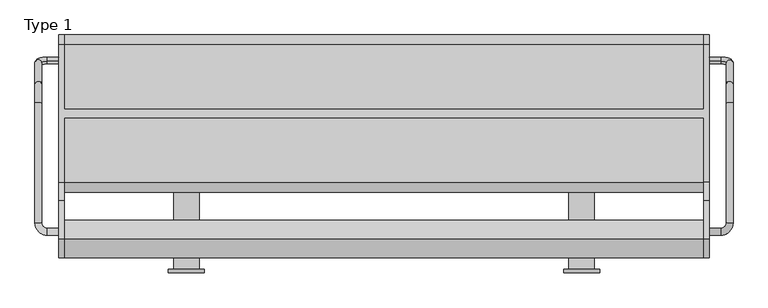
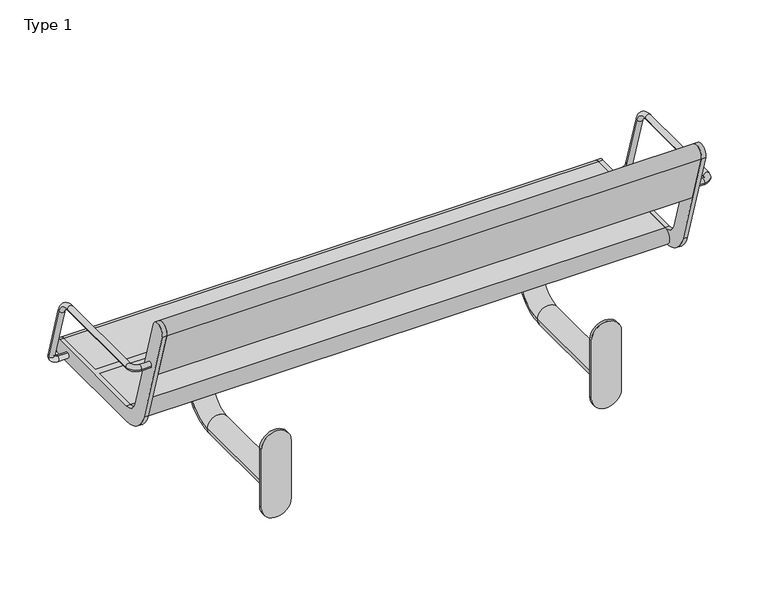
"""IFC4 building model written with IfcOpenShell, lengths in millimetres: furniture geometry, Type 1."""

import ifcopenshell
import ifcopenshell.guid

model = None  # the IFC model being written
_history = None  # IfcOwnerHistory: only IFC2X3 demands one
_inside = {}  # id of a spatial element -> (the spatial element, [elements in it])
_under = {}  # id of a project, library or spatial element -> (it, [spatial elements below it])
_declared = {}  # id of a project -> (the project, [libraries it declares])
_typed = {}  # id of a type object -> (the type object, [elements of that type])
_made_of = {}  # id of a material, layer set ... -> (it, [elements and type objects made of it])


def new_model(schema):
    """Start an empty IFC model of exactly this schema.

    Asked for "IFC4X3", IfcOpenShell would pick the latest addendum, in which some entities
    have other attributes; the version numbers below select the first issue.
    IFC2X3 requires an IfcOwnerHistory on every rooted entity: one is made here for all.
    """
    global model, _history
    if schema == "IFC4X3":
        model = ifcopenshell.file(schema_version=(4, 3, 0, 0))
    else:
        model = ifcopenshell.file(schema=schema)
    _inside.clear()
    _under.clear()
    _declared.clear()
    _typed.clear()
    _made_of.clear()
    _history = None
    if model.schema == "IFC2X3":
        org = make("IfcOrganization", Name="unknown")
        user = make(
            "IfcPersonAndOrganization",
            ThePerson=make("IfcPerson", FamilyName="unknown"),
            TheOrganization=org,
        )
        app = make(
            "IfcApplication",
            ApplicationDeveloper=org,
            Version="unknown",
            ApplicationFullName="unknown",
            ApplicationIdentifier="unknown",
        )
        _history = make(
            "IfcOwnerHistory",
            OwningUser=user,
            OwningApplication=app,
            ChangeAction="ADDED",
            CreationDate=0,
        )
    return model


def make(cls, **values):
    """One entity of the class cls with the attributes given. An attribute that is None is left unset."""
    return model.create_entity(
        cls, **{name: value for name, value in values.items() if value is not None}
    )


def rooted(cls, **values):
    """An entity with a GlobalId (a new one), such as an element, a storey or a relation."""
    return make(cls, GlobalId=ifcopenshell.guid.new(), OwnerHistory=_history, **values)


def si_unit(unit_type, name, prefix=None):
    """IfcSIUnit, for example si_unit("LENGTHUNIT", "METRE", prefix="MILLI")."""
    return make("IfcSIUnit", UnitType=unit_type, Prefix=prefix, Name=name)


def assignment(units):
    """IfcUnitAssignment: the units of a project."""
    return None if units is None else make("IfcUnitAssignment", Units=units)


def point(xyz):
    """IfcCartesianPoint."""
    return None if xyz is None else make("IfcCartesianPoint", Coordinates=xyz)


def direction(xyz):
    """IfcDirection."""
    return None if xyz is None else make("IfcDirection", DirectionRatios=xyz)


def frame(location, z_axis=None, x_axis=None):
    """IfcAxis2Placement3D, a coordinate frame: its origin and axes. An axis left out is left unset."""
    return make(
        "IfcAxis2Placement3D",
        Location=point(location),
        Axis=direction(z_axis),
        RefDirection=direction(x_axis),
    )


def frame_2d(location, x_axis=None):
    """IfcAxis2Placement2D, a coordinate frame in the plane: its origin and x axis."""
    return make(
        "IfcAxis2Placement2D", Location=point(location), RefDirection=direction(x_axis)
    )


def origin():
    """The frame at (0, 0, 0) with its axes left unset."""
    return frame((0.0, 0.0, 0.0))


def place(relative_to, where):
    """IfcLocalPlacement: puts the frame where relative to a parent placement (None: the world)."""
    return make(
        "IfcLocalPlacement", PlacementRelTo=relative_to, RelativePlacement=where
    )


def context(
    kind, dimensions, precision=None, world=None, true_north=None, identifier=None
):
    """IfcGeometricRepresentationContext, for example the 3D "Model" context."""
    return make(
        "IfcGeometricRepresentationContext",
        ContextIdentifier=identifier,
        ContextType=kind,
        CoordinateSpaceDimension=dimensions,
        Precision=precision,
        WorldCoordinateSystem=world,
        TrueNorth=true_north,
    )


def project(units=None, contexts=None):
    """IfcProject with its units and contexts."""
    return rooted(
        "IfcProject",
        Name="project",
        RepresentationContexts=contexts,
        UnitsInContext=assignment(units),
    )


def spatial(cls, under=None, at=None, **own):
    """A site, building, storey or space (cls), placed at a placement, below another one or the project."""
    s = rooted(cls, ObjectPlacement=at, **own)
    if under is not None:
        _under.setdefault(under.id(), (under, []))[1].append(s)
    return s


def polyline(points):
    """IfcPolyline through the points."""
    return make("IfcPolyline", Points=[point(p) for p in points])


def circle_curve(where, radius):
    """IfcCircle in the frame where."""
    return make("IfcCircle", Position=where, Radius=radius)


def ellipse_curve(where, semi_axis1, semi_axis2):
    """IfcEllipse in the frame where."""
    return make(
        "IfcEllipse", Position=where, SemiAxis1=semi_axis1, SemiAxis2=semi_axis2
    )


def trimmed(basis, trim1, trim2, sense, master):
    """IfcTrimmedCurve: the piece of a basis curve between two trims."""
    return make(
        "IfcTrimmedCurve",
        BasisCurve=basis,
        Trim1=trim1,
        Trim2=trim2,
        SenseAgreement=sense,
        MasterRepresentation=master,
    )


def segment(curve, same_sense, transition):
    """IfcCompositeCurveSegment."""
    return make(
        "IfcCompositeCurveSegment",
        Transition=transition,
        SameSense=same_sense,
        ParentCurve=curve,
    )


def composite_curve(segments, self_intersect=None):
    """IfcCompositeCurve: segments joined end to end."""
    return make("IfcCompositeCurve", Segments=segments, SelfIntersect=self_intersect)


def outline(outer, holes=None, kind="AREA"):
    """IfcArbitraryClosedProfileDef: a profile drawn as a closed curve; with holes, ...WithVoids."""
    if holes is None:
        return make("IfcArbitraryClosedProfileDef", ProfileType=kind, OuterCurve=outer)
    return make(
        "IfcArbitraryProfileDefWithVoids",
        ProfileType=kind,
        OuterCurve=outer,
        InnerCurves=holes,
    )


def extrude(swept, where, along, depth):
    """IfcExtrudedAreaSolid: the profile swept, set in the frame where, extruded along a direction by depth."""
    return make(
        "IfcExtrudedAreaSolid",
        SweptArea=swept,
        Position=where,
        ExtrudedDirection=direction(along),
        Depth=depth,
    )


def shape(context_of_items, identifier, shape_type, items):
    """IfcShapeRepresentation: the items that make up one representation, for example the "Body"."""
    return make(
        "IfcShapeRepresentation",
        ContextOfItems=context_of_items,
        RepresentationIdentifier=identifier,
        RepresentationType=shape_type,
        Items=items,
    )


def source(mapping_origin, context_of_items, identifier, shape_type, items):
    """IfcRepresentationMap: a shape defined once, which mapped items show again and again."""
    return make(
        "IfcRepresentationMap",
        MappingOrigin=mapping_origin,
        MappedRepresentation=shape(context_of_items, identifier, shape_type, items),
    )


def transform(
    local_origin,
    x_axis=None,
    y_axis=None,
    z_axis=None,
    scale=None,
    scale2=None,
    scale3=None,
    uniform=True,
):
    """IfcCartesianTransformationOperator3D, or its non-uniform kind. x_axis, y_axis, z_axis: its Axis1, 2, 3."""
    if uniform:
        return make(
            "IfcCartesianTransformationOperator3D",
            Axis1=direction(x_axis),
            Axis2=direction(y_axis),
            LocalOrigin=point(local_origin),
            Scale=scale,
            Axis3=direction(z_axis),
        )
    return make(
        "IfcCartesianTransformationOperator3DnonUniform",
        Axis1=direction(x_axis),
        Axis2=direction(y_axis),
        LocalOrigin=point(local_origin),
        Scale=scale,
        Axis3=direction(z_axis),
        Scale2=scale2,
        Scale3=scale3,
    )


def mapped(mapping_source, mapping_target):
    """IfcMappedItem: shows the shape of a source again, moved by a transform."""
    return make(
        "IfcMappedItem", MappingSource=mapping_source, MappingTarget=mapping_target
    )


def made_of(thing, what):
    """Note that an element or type object is made of a material, layer set ...; save() writes the relation."""
    if what is not None:
        _made_of.setdefault(what.id(), (what, []))[1].append(thing)
    return thing


def element(
    cls,
    number,
    at=None,
    inside=None,
    cuts=None,
    type_object=None,
    material=None,
    context=None,
    identifier="Body",
    shape_type=None,
    held_by="IfcProductDefinitionShape",
    body=None,
    shapes=None,
    **own,
):
    """One element of the class cls, such as IfcWall. Its Tag is "e" and its number.

    at: its placement. inside: the storey or other place that contains it. cuts: it is an
    opening in that element (IfcRelVoidsElement). A single representation is given by context,
    identifier, shape_type and body (its items); several are given by shapes. held_by: the class
    of the entity that holds the representations. save() writes the other relations.
    """
    e = rooted(cls, Tag="e%d" % number, ObjectPlacement=at, **own)
    if body is not None:
        shapes = [shape(context, identifier, shape_type, body)]
    if shapes is not None:
        e.Representation = make(held_by, Representations=shapes)
    if inside is not None:
        _inside.setdefault(inside.id(), (inside, []))[1].append(e)
    if cuts is not None:
        rooted(
            "IfcRelVoidsElement", RelatingBuildingElement=cuts, RelatedOpeningElement=e
        )
    if type_object is not None:
        _typed.setdefault(type_object.id(), (type_object, []))[1].append(e)
    return made_of(e, material)


def aggregate(whole, parts):
    """IfcRelAggregates: a whole, such as a stair, and the parts it consists of."""
    return rooted("IfcRelAggregates", RelatingObject=whole, RelatedObjects=parts)


def save(model, path):
    """Write the relations noted so far, then the file.

    IfcRelAggregates (storeys below a building ...), IfcRelContainedInSpatialStructure (elements
    in a storey), IfcRelDefinesByType, IfcRelAssociatesMaterial and IfcRelDeclares: one each for
    every whole, place, type object, material and project.
    """
    for whole, parts in _under.values():
        aggregate(whole, parts)
    for where, things in _inside.values():
        rooted(
            "IfcRelContainedInSpatialStructure",
            RelatedElements=things,
            RelatingStructure=where,
        )
    for kind, things in _typed.values():
        rooted("IfcRelDefinesByType", RelatedObjects=things, RelatingType=kind)
    for what, things in _made_of.values():
        rooted("IfcRelAssociatesMaterial", RelatedObjects=things, RelatingMaterial=what)
    for by, libraries in _declared.values():
        rooted("IfcRelDeclares", RelatingContext=by, RelatedDefinitions=libraries)
    model.write(path)


def plane_surface(at):
    """IfcPlane: the flat surface through the origin of the frame at, square to its z axis."""
    return make("IfcPlane", Position=at)


def cylinder_surface(at, radius):
    """IfcCylindricalSurface: all points at the distance radius from the z axis of the frame at."""
    return make("IfcCylindricalSurface", Position=at, Radius=radius)


def revolved_surface(curve, axis_point, axis_direction):
    """IfcSurfaceOfRevolution: the curve turned about the line through axis_point along axis_direction."""
    return make(
        "IfcSurfaceOfRevolution",
        SweptCurve=make("IfcArbitraryOpenProfileDef", ProfileType="CURVE", Curve=curve),
        AxisPosition=make("IfcAxis1Placement", Location=point(axis_point), Axis=direction(axis_direction)),
    )


def advanced_brep(points, edges, surfaces, faces):
    """IfcAdvancedBrep: a solid bounded by faces that lie on surfaces and meet in shared edges.

    An edge is (start, end): straight between two places in points (the first is 0);
    or (start, end, curve); or (start, end, curve, False) where it runs against its curve.
    A face is (place in surfaces, loops), or (place, loops, False) where it looks against
    its surface's normal. A loop lists edges by number (the first is 1), with a minus sign
    where the edge is run from its end to its start. The first loop is the outer one.
    """
    corners = [point(p) for p in points]
    vertices = [make("IfcVertexPoint", VertexGeometry=c) for c in corners]
    made = []
    for start, end, *more in edges:
        made.append(
            make(
                "IfcEdgeCurve",
                EdgeStart=vertices[start],
                EdgeEnd=vertices[end],
                EdgeGeometry=more[0] if more else make("IfcPolyline", Points=[corners[start], corners[end]]),
                SameSense=more[1] if len(more) > 1 else True,
            )
        )
    hull = []
    for where, loops, *sense in faces:
        bounds = []
        for j, loop in enumerate(loops):
            ring = [make("IfcOrientedEdge", EdgeElement=made[abs(k) - 1], Orientation=k > 0) for k in loop]
            bounds.append(
                make(
                    "IfcFaceOuterBound" if j == 0 else "IfcFaceBound",
                    Bound=make("IfcEdgeLoop", EdgeList=ring),
                    Orientation=True,
                )
            )
        hull.append(make("IfcAdvancedFace", Bounds=bounds, FaceSurface=surfaces[where], SameSense=sense[0] if sense else True))
    return make("IfcAdvancedBrep", Outer=make("IfcClosedShell", CfsFaces=hull))


def type_1_e32b532e(model_context):
    return source(origin(), model_context, "Body", "SolidModel", [
        advanced_brep(
        [(882.0, 666.6610264, 435.150438), (882.0, 671.3389736, 419.849562), (909.0, 671.3389736, 419.849562), (909.0, 666.6610264, 435.150438), (938.0, 662.8601942, 447.5823999), (922.0, 662.8601942, 447.5823999), (938.0, 291.0, 641.5), (938.0, 570.2753858, 641.5), (922.0, 570.2753858, 641.5), (922.0, 291.0, 641.5), (922.0, 613.3090998, 609.6567267), (938.0, 613.3090998, 609.6567267), (882.0, 278.0, 641.5), (882.0, 262.0, 641.5), (909.0, 262.0, 641.5), (909.0, 278.0, 641.5)],
        [
            (0, 1, circle_curve(frame((882.0, 669.0, 427.5), z_axis=(-1.0, 0.0, 0.0), x_axis=(0.0, 0.2923717047227402, -0.9563047559630344)), 8.0)),
            (1, 0, circle_curve(frame((882.0, 669.0, 427.5), z_axis=(-1.0, 0.0, 0.0), x_axis=(0.0, 0.2923717047227402, -0.9563047559630344)), 8.0)),
            (1, 2),
            (2, 3, circle_curve(frame((909.0, 669.0, 427.5), z_axis=(-1.0, 0.0, 0.0), x_axis=(0.0, 0.2923717047227402, -0.9563047559630344)), 8.0)),
            (3, 0),
            (3, 2, circle_curve(frame((909.0, 669.0, 427.5), z_axis=(-1.0, 0.0, 0.0), x_axis=(0.0, 0.2923717047227402, -0.9563047559630344)), 8.0)),
            (2, 4, circle_curve(frame((909.0, 662.8601942, 447.5823999), z_axis=(0.0, -0.9563047559630344, -0.29237170472274027), x_axis=(0.0, 0.29237170472274027, -0.9563047559630344)), 29.0)),
            (4, 5, circle_curve(frame((930.0, 662.8601942, 447.5823999), z_axis=(0.0, 0.29237170472274027, -0.9563047559630344), x_axis=(1.0, 0.0, 0.0)), 8.0)),
            (5, 3, circle_curve(frame((909.0, 662.8601942, 447.5823999), z_axis=(0.0, 0.9563047559630344, 0.29237170472274027), x_axis=(0.0, 0.29237170472274027, -0.9563047559630344)), 13.0)),
            (5, 4, circle_curve(frame((930.0, 662.8601942, 447.5823999), z_axis=(0.0, 0.29237170472274027, -0.9563047559630344), x_axis=(1.0, 0.0, 0.0)), 8.0)),
            (6, 7),
            (7, 8, circle_curve(frame((930.0, 570.2753858, 641.5), z_axis=(0.0, -1.0, 0.0), x_axis=(1.0, 0.0, 0.0)), 8.0)),
            (8, 9),
            (9, 6, circle_curve(frame((930.0, 291.0, 641.5), z_axis=(0.0, 1.0, 0.0), x_axis=(1.0, 0.0, 0.0)), 8.0)),
            (6, 9, circle_curve(frame((930.0, 291.0, 641.5), z_axis=(0.0, 1.0, 0.0), x_axis=(1.0, 0.0, 0.0)), 8.0)),
            (8, 7, circle_curve(frame((930.0, 570.2753858, 641.5), z_axis=(0.0, -1.0, 0.0), x_axis=(1.0, 0.0, 0.0)), 8.0)),
            (10, 11, circle_curve(frame((930.0, 613.3090998, 609.6567267), z_axis=(0.0, 0.2923717047227378, -0.9563047559630351), x_axis=(1.0, 0.0, 0.0)), 8.0)),
            (11, 4),
            (5, 10),
            (11, 10, circle_curve(frame((930.0, 613.3090998, 609.6567267), z_axis=(0.0, 0.2923717047227378, -0.9563047559630351), x_axis=(1.0, 0.0, 0.0)), 8.0)),
            (7, 11, circle_curve(frame((938.0, 570.2753858, 596.5), z_axis=(-1.0, 0.0, 0.0), x_axis=(0.0, 0.0, 1.0)), 45.0)),
            (10, 8, circle_curve(frame((922.0, 570.2753858, 596.5), z_axis=(1.0, 0.0, 0.0), x_axis=(0.0, 0.0, 1.0)), 45.0)),
            (12, 13, circle_curve(frame((882.0, 270.0, 641.5), z_axis=(-1.0, 0.0, 0.0), x_axis=(0.0, -1.0, 0.0)), 8.0)),
            (13, 12, circle_curve(frame((882.0, 270.0, 641.5), z_axis=(-1.0, 0.0, 0.0), x_axis=(0.0, -1.0, 0.0)), 8.0)),
            (13, 14),
            (14, 15, circle_curve(frame((909.0, 270.0, 641.5), z_axis=(-1.0, 0.0, 0.0), x_axis=(0.0, -1.0, 0.0)), 8.0)),
            (15, 12),
            (15, 14, circle_curve(frame((909.0, 270.0, 641.5), z_axis=(-1.0, 0.0, 0.0), x_axis=(0.0, -1.0, 0.0)), 8.0)),
            (14, 6, circle_curve(frame((909.0, 291.0, 641.5), z_axis=(0.0, 0.0, 1.0), x_axis=(0.0, -1.0, 0.0)), 29.0)),
            (9, 15, circle_curve(frame((909.0, 291.0, 641.5), z_axis=(0.0, 0.0, -1.0), x_axis=(0.0, -1.0, 0.0)), 13.0)),
        ],
        [
            plane_surface(frame((882.0, 1282.469501, 615.0564486), z_axis=(-1.0, 0.0, 0.0), x_axis=(0.0, -0.9563047559630344, -0.29237170472274027))),
            cylinder_surface(frame((882.0, 669.0, 427.5), z_axis=(-1.0, 0.0, 0.0), x_axis=(0.0, 0.2923717047227402, -0.9563047559630344)), 8.0),
            revolved_surface(trimmed(ellipse_curve(frame((909.0, 669.0, 427.5), z_axis=(-1.0, 0.0, 0.0), x_axis=(0.0, 0.2923717047227402, -0.9563047559630344)), 8.0, 8.0), [point((909.0, 671.3389736, 419.849562))], [point((909.0, 666.6610264, 435.150438))], True, "CARTESIAN"), (909.0, 1276.3296952, 635.1388485), (0.0, -0.9563047559630344, -0.29237170472274027)),
            revolved_surface(trimmed(ellipse_curve(frame((909.0, 669.0, 427.5), z_axis=(-1.0, 0.0, 0.0), x_axis=(0.0, 0.2923717047227402, -0.9563047559630344)), 8.0, 8.0), [point((909.0, 666.6610264, 435.150438))], [point((909.0, 671.3389736, 419.849562))], True, "CARTESIAN"), (909.0, 1276.3296952, 635.1388485), (0.0, -0.9563047559630344, -0.29237170472274027)),
            cylinder_surface(frame((930.0, 291.0, 641.5), z_axis=(0.0, -1.0, 0.0), x_axis=(1.0, 0.0, 0.0)), 8.0),
            cylinder_surface(frame((930.0, 613.3090998, 609.6567267), z_axis=(0.0, -0.2923717047227378, 0.9563047559630351), x_axis=(1.0, 0.0, 0.0)), 8.0),
            revolved_surface(trimmed(ellipse_curve(frame((930.0, 570.2753858, 641.5), z_axis=(0.0, -1.0, 0.0), x_axis=(1.0, 0.0, 0.0)), 8.0, 8.0), [point((938.0, 570.2753858, 641.5))], [point((922.0, 570.2753858, 641.5))], True, "CARTESIAN"), (625.0, 570.2753858, 596.5), (-1.0, 0.0, 0.0)),
            revolved_surface(trimmed(ellipse_curve(frame((930.0, 570.2753858, 641.5), z_axis=(0.0, -1.0, 0.0), x_axis=(1.0, 0.0, 0.0)), 8.0, 8.0), [point((922.0, 570.2753858, 641.5))], [point((938.0, 570.2753858, 641.5))], True, "CARTESIAN"), (625.0, 570.2753858, 596.5), (-1.0, 0.0, 0.0)),
            plane_surface(frame((882.0, 270.0, 0.0), z_axis=(-1.0, 0.0, 0.0), x_axis=(0.0, 0.0, 1.0))),
            cylinder_surface(frame((882.0, 270.0, 641.5), z_axis=(-1.0, 0.0, 0.0), x_axis=(0.0, -1.0, 0.0)), 8.0),
            revolved_surface(trimmed(ellipse_curve(frame((909.0, 270.0, 641.5), z_axis=(-1.0, 0.0, 0.0), x_axis=(0.0, -1.0, 0.0)), 8.0, 8.0), [point((909.0, 262.0, 641.5))], [point((909.0, 278.0, 641.5))], True, "CARTESIAN"), (909.0, 291.0, 0.0), (0.0, 0.0, 1.0)),
            revolved_surface(trimmed(ellipse_curve(frame((909.0, 270.0, 641.5), z_axis=(-1.0, 0.0, 0.0), x_axis=(0.0, -1.0, 0.0)), 8.0, 8.0), [point((909.0, 278.0, 641.5))], [point((909.0, 262.0, 641.5))], True, "CARTESIAN"), (909.0, 291.0, 0.0), (0.0, 0.0, 1.0)),
        ],
        [
            (0, [[1, 2]]),
            (1, [[-2, 3, 4, 5]]),
            (1, [[-1, -5, 6, -3]]),
            (2, [[-4, 7, 8, 9]]),
            (3, [[-6, -9, 10, -7]]),
            (4, [[11, 12, 13, 14]]),
            (4, [[-11, 15, -13, 16]]),
            (5, [[17, 18, -10, 19]]),
            (5, [[-18, 20, -19, -8]]),
            (6, [[-12, 21, -17, 22]]),
            (7, [[-16, -22, -20, -21]]),
            (8, [[23, 24]]),
            (9, [[-24, 25, 26, 27]]),
            (9, [[-23, -27, 28, -25]]),
            (10, [[-26, 29, -14, 30]]),
            (11, [[-28, -30, -15, -29]]),
        ],
    ),
        advanced_brep(
        [(-672.0, 291.0, 641.5), (-672.0, 570.2753858, 641.5), (-688.0, 570.2753858, 641.5), (-688.0, 291.0, 641.5), (-688.0, 613.3090998, 609.6567267), (-672.0, 613.3090998, 609.6567267), (-672.0, 662.8601942, 447.5823999), (-688.0, 662.8601942, 447.5823999), (-632.0, 278.0, 641.5), (-632.0, 262.0, 641.5), (-659.0, 278.0, 641.5), (-659.0, 262.0, 641.5), (-632.0, 666.6610264, 435.150438), (-632.0, 671.3389736, 419.849562), (-659.0, 666.6610264, 435.150438), (-659.0, 671.3389736, 419.849562)],
        [
            (0, 1),
            (1, 2, circle_curve(frame((-680.0, 570.2753858, 641.5), z_axis=(0.0, -1.0, 0.0), x_axis=(-1.0, 0.0, 0.0)), 8.0)),
            (2, 3),
            (3, 0, circle_curve(frame((-680.0, 291.0, 641.5), z_axis=(0.0, 1.0, 0.0), x_axis=(-1.0, 0.0, 0.0)), 8.0)),
            (0, 3, circle_curve(frame((-680.0, 291.0, 641.5), z_axis=(0.0, 1.0, 0.0), x_axis=(-1.0, 0.0, 0.0)), 8.0)),
            (2, 1, circle_curve(frame((-680.0, 570.2753858, 641.5), z_axis=(0.0, -1.0, 0.0), x_axis=(-1.0, 0.0, 0.0)), 8.0)),
            (4, 5, circle_curve(frame((-680.0, 613.3090998, 609.6567267), z_axis=(0.0, 0.2923717047227378, -0.9563047559630351), x_axis=(-1.0, 0.0, 0.0)), 8.0)),
            (5, 6),
            (6, 7, circle_curve(frame((-680.0, 662.8601942, 447.5823999), z_axis=(0.0, -0.2923717047227378, 0.9563047559630351), x_axis=(-1.0, 0.0, 0.0)), 8.0)),
            (7, 4),
            (5, 4, circle_curve(frame((-680.0, 613.3090998, 609.6567267), z_axis=(0.0, 0.2923717047227378, -0.9563047559630351), x_axis=(-1.0, 0.0, 0.0)), 8.0)),
            (7, 6, circle_curve(frame((-680.0, 662.8601942, 447.5823999), z_axis=(0.0, -0.2923717047227378, 0.9563047559630351), x_axis=(-1.0, 0.0, 0.0)), 8.0)),
            (1, 5, circle_curve(frame((-672.0, 570.2753858, 596.5), z_axis=(-1.0, 0.0, 0.0), x_axis=(0.0, 0.0, 1.0)), 45.0)),
            (4, 2, circle_curve(frame((-688.0, 570.2753858, 596.5), z_axis=(1.0, 0.0, 0.0), x_axis=(0.0, 0.0, 1.0)), 45.0)),
            (8, 9, circle_curve(frame((-632.0, 270.0, 641.5), z_axis=(1.0, 0.0, 0.0), x_axis=(0.0, -1.0, 0.0)), 8.0)),
            (9, 8, circle_curve(frame((-632.0, 270.0, 641.5), z_axis=(1.0, 0.0, 0.0), x_axis=(0.0, -1.0, 0.0)), 8.0)),
            (8, 10),
            (10, 11, circle_curve(frame((-659.0, 270.0, 641.5), z_axis=(1.0, 0.0, 0.0), x_axis=(0.0, -1.0, 0.0)), 8.0)),
            (11, 9),
            (11, 10, circle_curve(frame((-659.0, 270.0, 641.5), z_axis=(1.0, 0.0, 0.0), x_axis=(0.0, -1.0, 0.0)), 8.0)),
            (10, 0, circle_curve(frame((-659.0, 291.0, 641.5), z_axis=(0.0, 0.0, -1.0), x_axis=(0.0, -1.0, 0.0)), 13.0)),
            (3, 11, circle_curve(frame((-659.0, 291.0, 641.5), z_axis=(0.0, 0.0, 1.0), x_axis=(0.0, -1.0, 0.0)), 29.0)),
            (12, 13, circle_curve(frame((-632.0, 669.0, 427.5), z_axis=(1.0, 0.0, 0.0), x_axis=(0.0, 0.2923717047227402, -0.9563047559630344)), 8.0)),
            (13, 12, circle_curve(frame((-632.0, 669.0, 427.5), z_axis=(1.0, 0.0, 0.0), x_axis=(0.0, 0.2923717047227402, -0.9563047559630344)), 8.0)),
            (12, 14),
            (14, 15, circle_curve(frame((-659.0, 669.0, 427.5), z_axis=(1.0, 0.0, 0.0), x_axis=(0.0, 0.2923717047227402, -0.9563047559630344)), 8.0)),
            (15, 13),
            (15, 14, circle_curve(frame((-659.0, 669.0, 427.5), z_axis=(1.0, 0.0, 0.0), x_axis=(0.0, 0.2923717047227402, -0.9563047559630344)), 8.0)),
            (14, 6, circle_curve(frame((-659.0, 662.8601942, 447.5823999), z_axis=(0.0, 0.9563047559630344, 0.2923717047227402), x_axis=(0.0, 0.2923717047227402, -0.9563047559630344)), 13.0)),
            (7, 15, circle_curve(frame((-659.0, 662.8601942, 447.5823999), z_axis=(0.0, -0.9563047559630344, -0.2923717047227402), x_axis=(0.0, 0.2923717047227402, -0.9563047559630344)), 29.0)),
        ],
        [
            cylinder_surface(frame((-680.0, 291.0, 641.5), z_axis=(0.0, -1.0, 0.0), x_axis=(-1.0, 0.0, 0.0)), 8.0),
            cylinder_surface(frame((-680.0, 613.3090998, 609.6567267), z_axis=(0.0, -0.2923717047227378, 0.9563047559630351), x_axis=(-1.0, 0.0, 0.0)), 8.0),
            revolved_surface(trimmed(ellipse_curve(frame((-680.0, 570.2753858, 641.5), z_axis=(0.0, -1.0, 0.0), x_axis=(-1.0, 0.0, 0.0)), 8.0, 8.0), [point((-672.0, 570.2753858, 641.5))], [point((-688.0, 570.2753858, 641.5))], True, "CARTESIAN"), (125.0, 570.2753858, 596.5), (-1.0, 0.0, 0.0)),
            revolved_surface(trimmed(ellipse_curve(frame((-680.0, 570.2753858, 641.5), z_axis=(0.0, -1.0, 0.0), x_axis=(-1.0, 0.0, 0.0)), 8.0, 8.0), [point((-688.0, 570.2753858, 641.5))], [point((-672.0, 570.2753858, 641.5))], True, "CARTESIAN"), (125.0, 570.2753858, 596.5), (-1.0, 0.0, 0.0)),
            plane_surface(frame((-632.0, 270.0, 0.0), z_axis=(1.0, 0.0, 0.0), x_axis=(0.0, 0.0, 1.0))),
            cylinder_surface(frame((-632.0, 270.0, 641.5), z_axis=(1.0, 0.0, 0.0), x_axis=(0.0, -1.0, 0.0)), 8.0),
            revolved_surface(trimmed(ellipse_curve(frame((-659.0, 270.0, 641.5), z_axis=(1.0, 0.0, 0.0), x_axis=(0.0, -1.0, 0.0)), 8.0, 8.0), [point((-659.0, 278.0, 641.5))], [point((-659.0, 262.0, 641.5))], True, "CARTESIAN"), (-659.0, 291.0, 0.0), (0.0, 0.0, -1.0)),
            revolved_surface(trimmed(ellipse_curve(frame((-659.0, 270.0, 641.5), z_axis=(1.0, 0.0, 0.0), x_axis=(0.0, -1.0, 0.0)), 8.0, 8.0), [point((-659.0, 262.0, 641.5))], [point((-659.0, 278.0, 641.5))], True, "CARTESIAN"), (-659.0, 291.0, 0.0), (0.0, 0.0, -1.0)),
            plane_surface(frame((-632.0, 1282.469501, 615.0564486), z_axis=(1.0, 0.0, 0.0), x_axis=(0.0, -0.9563047559630344, -0.2923717047227402))),
            cylinder_surface(frame((-632.0, 669.0, 427.5), z_axis=(1.0, 0.0, 0.0), x_axis=(0.0, 0.2923717047227402, -0.9563047559630344)), 8.0),
            revolved_surface(trimmed(ellipse_curve(frame((-659.0, 669.0, 427.5), z_axis=(1.0, 0.0, 0.0), x_axis=(0.0, 0.2923717047227402, -0.9563047559630344)), 8.0, 8.0), [point((-659.0, 666.6610264, 435.150438))], [point((-659.0, 671.3389736, 419.849562))], True, "CARTESIAN"), (-659.0, 1276.3296952, 635.1388485), (0.0, 0.9563047559630344, 0.2923717047227402)),
            revolved_surface(trimmed(ellipse_curve(frame((-659.0, 669.0, 427.5), z_axis=(1.0, 0.0, 0.0), x_axis=(0.0, 0.2923717047227402, -0.9563047559630344)), 8.0, 8.0), [point((-659.0, 671.3389736, 419.849562))], [point((-659.0, 666.6610264, 435.150438))], True, "CARTESIAN"), (-659.0, 1276.3296952, 635.1388485), (0.0, 0.9563047559630344, 0.2923717047227402)),
        ],
        [
            (0, [[1, 2, 3, 4]]),
            (0, [[-1, 5, -3, 6]]),
            (1, [[7, 8, 9, 10]]),
            (1, [[-8, 11, -10, 12]]),
            (2, [[-2, 13, -7, 14]]),
            (3, [[-6, -14, -11, -13]]),
            (4, [[15, 16]]),
            (5, [[-15, 17, 18, 19]]),
            (5, [[-16, -19, 20, -17]]),
            (6, [[-18, 21, -4, 22]]),
            (7, [[-20, -22, -5, -21]]),
            (8, [[23, 24]]),
            (9, [[-23, 25, 26, 27]]),
            (9, [[-24, -27, 28, -25]]),
            (10, [[-26, 29, -12, 30]]),
            (11, [[-28, -30, -9, -29]]),
        ],
    ),
        advanced_brep(
        [(870.0, 253.9624029, 769.6910048), (870.0, 341.966286, 481.8432733), (870.0, 385.0, 450.0), (870.0, 535.5, 450.0), (870.0, 535.5, 405.0), (870.0, 385.0, 405.0), (870.0, 298.932572, 468.6865466), (870.0, 210.9286888, 756.5342781), (870.0, 706.0, 450.0), (870.0, 706.0, 405.0), (870.0, 555.5, 405.0), (870.0, 555.5, 450.0), (882.0, 253.9624029, 769.6910048), (882.0, 210.9286888, 756.5342781), (882.0, 298.932572, 468.6865466), (882.0, 385.0, 405.0), (882.0, 706.0, 405.0), (882.0, 706.0, 450.0), (882.0, 385.0, 450.0), (882.0, 341.966286, 481.8432733), (-620.0, 555.5, 450.0), (-620.0, 706.0, 450.0), (-632.0, 706.0, 450.0), (-632.0, 385.0, 450.0), (-620.0, 385.0, 450.0), (-620.0, 535.5, 450.0), (-620.0, 535.5, 405.0), (-620.0, 385.0, 405.0), (-632.0, 385.0, 405.0), (-632.0, 706.0, 405.0), (-620.0, 706.0, 405.0), (-620.0, 555.5, 405.0), (-632.0, 253.9624029, 769.6910048), (-632.0, 341.966286, 481.8432733), (-632.0, 298.932572, 468.6865466), (-632.0, 210.9286888, 756.5342781), (-620.0, 253.9624029, 769.6910048), (-620.0, 210.9286888, 756.5342781), (-620.0, 298.932572, 468.6865466), (-620.0, 341.966286, 481.8432733)],
        [
            (0, 1),
            (1, 2, circle_curve(frame((870.0, 385.0, 495.0), z_axis=(1.0, 0.0, 0.0), x_axis=(0.0, 1.0, 0.0)), 45.0)),
            (2, 3),
            (3, 4),
            (4, 5),
            (5, 6, circle_curve(frame((870.0, 385.0, 495.0), z_axis=(-1.0, 0.0, 0.0), x_axis=(0.0, 1.0, 0.0)), 90.0)),
            (6, 7),
            (7, 0, circle_curve(frame((870.0, 232.4455459, 763.1126415), z_axis=(-1.0, 0.0, 0.0), x_axis=(0.0, 1.0, 0.0)), 22.5)),
            (8, 9, circle_curve(frame((870.0, 706.0, 427.5), z_axis=(-1.0, 0.0, 0.0), x_axis=(0.0, 1.0, 0.0)), 22.5)),
            (9, 10),
            (10, 11),
            (11, 8),
            (12, 13, circle_curve(frame((882.0, 232.4455459, 763.1126415), z_axis=(1.0, 0.0, 0.0), x_axis=(0.0, 1.0, 0.0)), 22.5)),
            (13, 14),
            (14, 15, circle_curve(frame((882.0, 385.0, 495.0), z_axis=(1.0, 0.0, 0.0), x_axis=(0.0, 1.0, 0.0)), 90.0)),
            (15, 16),
            (16, 17, circle_curve(frame((882.0, 706.0, 427.5), z_axis=(1.0, 0.0, 0.0), x_axis=(0.0, 1.0, 0.0)), 22.5)),
            (17, 18),
            (18, 19, circle_curve(frame((882.0, 385.0, 495.0), z_axis=(-1.0, 0.0, 0.0), x_axis=(0.0, 1.0, 0.0)), 45.0)),
            (19, 12),
            (0, 12),
            (19, 1),
            (18, 2),
            (17, 8),
            (11, 20),
            (20, 21),
            (21, 22),
            (22, 23),
            (23, 24),
            (24, 25),
            (25, 3),
            (15, 5),
            (4, 26),
            (26, 27),
            (27, 28),
            (28, 29),
            (29, 30),
            (30, 31),
            (31, 10),
            (9, 16),
            (14, 6),
            (13, 7),
            (31, 20),
            (25, 26),
            (32, 33),
            (33, 23, circle_curve(frame((-632.0, 385.0, 495.0), z_axis=(1.0, 0.0, 0.0), x_axis=(0.0, 1.0, 0.0)), 45.0)),
            (22, 29, circle_curve(frame((-632.0, 706.0, 427.5), z_axis=(-1.0, 0.0, 0.0), x_axis=(0.0, 1.0, 0.0)), 22.5)),
            (28, 34, circle_curve(frame((-632.0, 385.0, 495.0), z_axis=(-1.0, 0.0, 0.0), x_axis=(0.0, 1.0, 0.0)), 90.0)),
            (34, 35),
            (35, 32, circle_curve(frame((-632.0, 232.4455459, 763.1126415), z_axis=(-1.0, 0.0, 0.0), x_axis=(0.0, 1.0, 0.0)), 22.5)),
            (36, 37, circle_curve(frame((-620.0, 232.4455459, 763.1126415), z_axis=(1.0, 0.0, 0.0), x_axis=(0.0, 1.0, 0.0)), 22.5)),
            (37, 38),
            (38, 27, circle_curve(frame((-620.0, 385.0, 495.0), z_axis=(1.0, 0.0, 0.0), x_axis=(0.0, 1.0, 0.0)), 90.0)),
            (24, 39, circle_curve(frame((-620.0, 385.0, 495.0), z_axis=(-1.0, 0.0, 0.0), x_axis=(0.0, 1.0, 0.0)), 45.0)),
            (39, 36),
            (30, 21, circle_curve(frame((-620.0, 706.0, 427.5), z_axis=(1.0, 0.0, 0.0), x_axis=(0.0, 1.0, 0.0)), 22.5)),
            (32, 36),
            (39, 33),
            (38, 34),
            (37, 35),
        ],
        [
            plane_surface(frame((870.0, 341.966286, 481.8432733), z_axis=(-1.0000000000000002, 0.0, 0.0), x_axis=(0.0, 0.29237170472273394, -0.9563047559630364))),
            plane_surface(frame((882.0, 341.966286, 481.8432733), z_axis=(1.0000000000000002, 0.0, 0.0), x_axis=(0.0, -0.29237170472273394, 0.9563047559630364))),
            plane_surface(frame((870.0, 253.9624029, 769.6910048), z_axis=(0.0, 0.9563047559630364, 0.29237170472273394), x_axis=(1.0, 0.0, 0.0))),
            revolved_surface(polyline([(882.0, 430.0, 495.0), (870.0, 430.0, 495.0)]), (882.0, 385.0, 495.0), (1.0, 0.0, 0.0)),
            plane_surface(frame((870.0, 385.0, 450.0), z_axis=(0.0, 0.0, 1.0), x_axis=(1.0, 0.0, 0.0))),
            plane_surface(frame((870.0, 706.0, 405.0), z_axis=(0.0, 0.0, -1.0), x_axis=(1.0, 0.0, 0.0))),
            cylinder_surface(frame((882.0, 385.0, 495.0), z_axis=(-1.0, 0.0, 0.0), x_axis=(0.0, 1.0, 0.0)), 90.0),
            plane_surface(frame((870.0, 298.932572, 468.6865466), z_axis=(0.0, -0.9563047559630364, -0.29237170472273366), x_axis=(1.0, 0.0, 0.0))),
            cylinder_surface(frame((882.0, 232.4455459, 763.1126415), z_axis=(-1.0, 0.0, 0.0), x_axis=(0.0, 1.0, 0.0)), 22.5),
            cylinder_surface(frame((882.0, 706.0, 427.5), z_axis=(-1.0, 0.0, 0.0), x_axis=(0.0, 1.0, 0.0)), 22.5),
            plane_surface(frame((-620.0, 555.5, 450.0), z_axis=(0.0, 1.0, 0.0), x_axis=(1.0, 0.0, 0.0))),
            plane_surface(frame((-620.0, 535.5, 405.0), z_axis=(0.0, -1.0, 0.0), x_axis=(1.0, 0.0, 0.0))),
            plane_surface(frame((-632.0, 341.966286, 481.8432733), z_axis=(-1.0000000000000002, 0.0, 0.0), x_axis=(0.0, 0.29237170472273394, -0.9563047559630364))),
            plane_surface(frame((-620.0, 341.966286, 481.8432733), z_axis=(1.0000000000000002, 0.0, 0.0), x_axis=(0.0, -0.29237170472273394, 0.9563047559630364))),
            plane_surface(frame((-632.0, 253.9624029, 769.6910048), z_axis=(0.0, 0.9563047559630364, 0.29237170472273394), x_axis=(1.0, 0.0, 0.0))),
            revolved_surface(polyline([(-620.0, 430.0, 495.0), (-632.0, 430.0, 495.0)]), (-620.0, 385.0, 495.0), (1.0, 0.0, 0.0)),
            cylinder_surface(frame((-620.0, 385.0, 495.0), z_axis=(-1.0, 0.0, 0.0), x_axis=(0.0, 1.0, 0.0)), 90.0),
            plane_surface(frame((-632.0, 298.932572, 468.6865466), z_axis=(0.0, -0.9563047559630364, -0.29237170472273366), x_axis=(1.0, 0.0, 0.0))),
            cylinder_surface(frame((-620.0, 232.4455459, 763.1126415), z_axis=(-1.0, 0.0, 0.0), x_axis=(0.0, 1.0, 0.0)), 22.5),
            cylinder_surface(frame((-620.0, 706.0, 427.5), z_axis=(-1.0, 0.0, 0.0), x_axis=(0.0, 1.0, 0.0)), 22.5),
        ],
        [
            (0, [[1, 2, 3, 4, 5, 6, 7, 8]]),
            (0, [[9, 10, 11, 12]]),
            (1, [[13, 14, 15, 16, 17, 18, 19, 20]]),
            (2, [[-1, 21, -20, 22]]),
            (3, [[-2, -22, -19, 23]]),
            (4, [[-18, 24, -12, 25, 26, 27, 28, 29, 30, 31, -3, -23]]),
            (5, [[-16, 32, -5, 33, 34, 35, 36, 37, 38, 39, -10, 40]]),
            (6, [[-6, -32, -15, 41]]),
            (7, [[-7, -41, -14, 42]]),
            (8, [[-8, -42, -13, -21]]),
            (9, [[-9, -24, -17, -40]]),
            (10, [[-25, -11, -39, 43]]),
            (11, [[-31, 44, -33, -4]]),
            (12, [[45, 46, -28, 47, -36, 48, 49, 50]]),
            (13, [[51, 52, 53, -34, -44, -30, 54, 55]]),
            (13, [[56, -26, -43, -38]]),
            (14, [[-45, 57, -55, 58]]),
            (15, [[-46, -58, -54, -29]]),
            (16, [[-48, -35, -53, 59]]),
            (17, [[-49, -59, -52, 60]]),
            (18, [[-50, -60, -51, -57]]),
            (19, [[-47, -27, -56, -37]]),
        ],
    ),
        extrude(outline(composite_curve([segment(polyline([(253.9624029, 769.6910048), (296.5024859, 630.5486628), (253.4687719, 617.3919361), (210.9286888, 756.5342781)]), True, "CONTINUOUS"), segment(trimmed(circle_curve(frame_2d((232.4455459, 763.1126415)), 22.5), [point((210.9286888, 756.5342781))], [point((253.9624029, 769.6910048))], False, "CARTESIAN"), True, "CONTINUOUS")], self_intersect=False)), frame((-620.0, 0.0, 0.0), z_axis=(1.0, 0.0, 0.0), x_axis=(0.0, 1.0, 0.0)), (0.0, 0.0, 1.0), 1490.0),
        extrude(outline(composite_curve([segment(polyline([(535.5, 405.0), (385.0, 405.0)]), True, "CONTINUOUS"), segment(trimmed(circle_curve(frame_2d((385.0, 427.5)), 22.5), [point((385.0, 405.0))], [point((385.0, 450.0))], False, "CARTESIAN"), True, "CONTINUOUS"), segment(polyline([(385.0, 450.0), (535.5, 450.0), (535.5, 405.0)]), True, "CONTINUOUS")], self_intersect=False)), frame((-620.0, 0.0, 0.0), z_axis=(1.0, 0.0, 0.0), x_axis=(0.0, 1.0, 0.0)), (0.0, 0.0, 1.0), 1490.0),
        extrude(outline(composite_curve([segment(polyline([(555.5, 405.0), (555.5, 450.0), (706.0, 450.0)]), True, "CONTINUOUS"), segment(trimmed(circle_curve(frame_2d((706.0, 427.5)), 22.5), [point((706.0, 450.0))], [point((706.0, 405.0))], False, "CARTESIAN"), True, "CONTINUOUS"), segment(polyline([(706.0, 405.0), (555.5, 405.0)]), True, "CONTINUOUS")], self_intersect=False)), frame((-620.0, 0.0, 0.0), z_axis=(1.0, 0.0, 0.0), x_axis=(0.0, 1.0, 0.0)), (0.0, 0.0, 1.0), 1490.0),
        extrude(outline(composite_curve([segment(trimmed(circle_curve(frame_2d((357.0801223, 585.0)), 41.9108501), [point((357.0801223, 626.9108501))], [point((357.0801223, 543.0891499))], False, "CARTESIAN"), True, "CONTINUOUS"), segment(polyline([(357.0801223, 543.0891499), (187.0801223, 543.0891499)]), True, "CONTINUOUS"), segment(trimmed(circle_curve(frame_2d((187.0801223, 585.0)), 41.9108501), [point((187.0801223, 543.0891499))], [point((187.0801223, 626.9108501))], False, "CARTESIAN"), True, "CONTINUOUS"), segment(polyline([(187.0801223, 626.9108501), (357.0801223, 626.9108501)]), True, "CONTINUOUS")], self_intersect=False)), frame((0.0, 175.0, 0.0), z_axis=(0.0, 1.0, 0.0), x_axis=(0.0, 0.0, 1.0)), (0.0, 0.0, 1.0), 8.0),
        advanced_brep(
        [(510.0, 670.0, 405.0), (510.0, 670.0, 389.0), (510.0, 420.0, 389.0), (510.0, 420.0, 405.0), (660.0, 670.0, 405.0), (660.0, 420.0, 405.0), (660.0, 420.0, 389.0), (660.0, 670.0, 389.0), (615.0, 545.0, 389.0), (555.0, 545.0, 389.0), (555.0, 183.0, 246.9999952), (615.0, 183.0, 246.9999952), (555.0, 454.9999981, 246.9999952), (615.0, 454.9999981, 246.9999952), (555.0, 545.0, 336.9999971), (615.0, 545.0, 336.9999971)],
        [
            (0, 1),
            (1, 2),
            (2, 3),
            (3, 0),
            (4, 5),
            (5, 6),
            (6, 7),
            (7, 4),
            (0, 4),
            (7, 1),
            (6, 2),
            (8, 9, circle_curve(frame((585.0, 545.0, 389.0), z_axis=(0.0, 0.0, 1.0), x_axis=(1.0, 0.0, 0.0)), 30.0)),
            (9, 8, circle_curve(frame((585.0, 545.0, 389.0), z_axis=(0.0, 0.0, 1.0), x_axis=(1.0, 0.0, 0.0)), 30.0)),
            (5, 3),
            (10, 11, circle_curve(frame((585.0, 183.0, 246.9999952), z_axis=(0.0, -1.0, 0.0), x_axis=(1.0, 0.0, 0.0)), 30.0)),
            (11, 10, circle_curve(frame((585.0, 183.0, 246.9999952), z_axis=(0.0, -1.0, 0.0), x_axis=(1.0, 0.0, 0.0)), 30.0)),
            (10, 12),
            (12, 13, circle_curve(frame((585.0, 454.9999981, 246.9999952), z_axis=(0.0, -1.0, 0.0), x_axis=(1.0, 0.0, 0.0)), 30.0)),
            (13, 11),
            (13, 12, circle_curve(frame((585.0, 454.9999981, 246.9999952), z_axis=(0.0, -1.0, 0.0), x_axis=(1.0, 0.0, 0.0)), 30.0)),
            (12, 14, circle_curve(frame((555.0, 454.9999981, 336.9999971), z_axis=(1.0, 0.0, 0.0), x_axis=(0.0, 0.0, -1.0)), 90.0000019)),
            (14, 15, circle_curve(frame((585.0, 545.0, 336.9999971), z_axis=(0.0, 0.0, -1.0), x_axis=(1.0, 0.0, 0.0)), 30.0)),
            (15, 13, circle_curve(frame((615.0, 454.9999981, 336.9999971), z_axis=(-1.0, 0.0, 0.0), x_axis=(0.0, 0.0, -1.0)), 90.0000019)),
            (15, 14, circle_curve(frame((585.0, 545.0, 336.9999971), z_axis=(0.0, 0.0, -1.0), x_axis=(1.0, 0.0, 0.0)), 30.0)),
            (14, 9),
            (8, 15),
        ],
        [
            plane_surface(frame((510.0, 670.0, 405.0), z_axis=(-1.0, 0.0, 0.0), x_axis=(0.0, 0.0, -1.0))),
            plane_surface(frame((660.0, 670.0, 405.0), z_axis=(1.0, 0.0, 0.0), x_axis=(0.0, 0.0, 1.0))),
            plane_surface(frame((510.0, 670.0, 405.0), z_axis=(0.0, 1.0, 0.0), x_axis=(1.0, 0.0, 0.0))),
            plane_surface(frame((510.0, 670.0, 389.0), z_axis=(0.0, 0.0, -1.0), x_axis=(1.0, 0.0, 0.0))),
            plane_surface(frame((510.0, 420.0, 389.0), z_axis=(0.0, -1.0, 0.0), x_axis=(1.0, 0.0, 0.0))),
            plane_surface(frame((510.0, 420.0, 405.0), z_axis=(0.0, 0.0, 1.0), x_axis=(1.0, 0.0, 0.0))),
            plane_surface(frame((585.0, 183.0, 246.9999952), z_axis=(0.0, -1.0, 0.0), x_axis=(-1.0, 0.0, 0.0))),
            cylinder_surface(frame((585.0, 183.0, 246.9999952), z_axis=(0.0, -1.0, 0.0), x_axis=(1.0, 0.0, 0.0)), 30.0),
            revolved_surface(trimmed(ellipse_curve(frame((585.0, 454.9999981, 246.9999952), z_axis=(0.0, -1.0, 0.0), x_axis=(1.0, 0.0, 0.0)), 30.0, 30.0), [point((555.0, 454.9999981, 246.9999952))], [point((615.0, 454.9999981, 246.9999952))], True, "CARTESIAN"), (585.0, 454.9999981, 336.9999971), (1.0, 0.0, 0.0)),
            revolved_surface(trimmed(ellipse_curve(frame((585.0, 454.9999981, 246.9999952), z_axis=(0.0, -1.0, 0.0), x_axis=(1.0, 0.0, 0.0)), 30.0, 30.0), [point((615.0, 454.9999981, 246.9999952))], [point((555.0, 454.9999981, 246.9999952))], True, "CARTESIAN"), (585.0, 454.9999981, 336.9999971), (1.0, 0.0, 0.0)),
            cylinder_surface(frame((585.0, 545.0, 336.9999971), z_axis=(0.0, 0.0, -1.0), x_axis=(1.0, 0.0, 0.0)), 30.0),
        ],
        [
            (0, [[1, 2, 3, 4]]),
            (1, [[5, 6, 7, 8]]),
            (2, [[-1, 9, -8, 10]]),
            (3, [[-2, -10, -7, 11], [12, 13]]),
            (4, [[-3, -11, -6, 14]]),
            (5, [[-4, -14, -5, -9]]),
            (6, [[15, 16]]),
            (7, [[-15, 17, 18, 19]]),
            (7, [[-16, -19, 20, -17]]),
            (8, [[-18, 21, 22, 23]]),
            (9, [[-20, -23, 24, -21]]),
            (10, [[-22, 25, -12, 26]]),
            (10, [[-24, -26, -13, -25]]),
        ],
    ),
        extrude(outline(composite_curve([segment(trimmed(circle_curve(frame_2d((357.0801223, -335.0)), 41.9108501), [point((357.0801223, -293.0891499))], [point((357.0801223, -376.9108501))], False, "CARTESIAN"), True, "CONTINUOUS"), segment(polyline([(357.0801223, -376.9108501), (187.0801223, -376.9108501)]), True, "CONTINUOUS"), segment(trimmed(circle_curve(frame_2d((187.0801223, -335.0)), 41.9108501), [point((187.0801223, -376.9108501))], [point((187.0801223, -293.0891499))], False, "CARTESIAN"), True, "CONTINUOUS"), segment(polyline([(187.0801223, -293.0891499), (357.0801223, -293.0891499)]), True, "CONTINUOUS")], self_intersect=False)), frame((0.0, 175.0, 0.0), z_axis=(0.0, 1.0, 0.0), x_axis=(0.0, 0.0, 1.0)), (0.0, 0.0, 1.0), 8.0),
        advanced_brep(
        [(-410.0, 670.0, 405.0), (-410.0, 670.0, 389.0), (-410.0, 420.0, 389.0), (-410.0, 420.0, 405.0), (-260.0, 670.0, 405.0), (-260.0, 420.0, 405.0), (-260.0, 420.0, 389.0), (-260.0, 670.0, 389.0), (-305.0, 545.0, 389.0), (-365.0, 545.0, 389.0), (-365.0, 183.0, 246.9999952), (-305.0, 183.0, 246.9999952), (-365.0, 454.9999981, 246.9999952), (-305.0, 454.9999981, 246.9999952), (-365.0, 545.0, 336.9999971), (-305.0, 545.0, 336.9999971)],
        [
            (0, 1),
            (1, 2),
            (2, 3),
            (3, 0),
            (4, 5),
            (5, 6),
            (6, 7),
            (7, 4),
            (0, 4),
            (7, 1),
            (6, 2),
            (8, 9, circle_curve(frame((-335.0, 545.0, 389.0), z_axis=(0.0, 0.0, 1.0), x_axis=(1.0, 0.0, 0.0)), 30.0)),
            (9, 8, circle_curve(frame((-335.0, 545.0, 389.0), z_axis=(0.0, 0.0, 1.0), x_axis=(1.0, 0.0, 0.0)), 30.0)),
            (5, 3),
            (10, 11, circle_curve(frame((-335.0, 183.0, 246.9999952), z_axis=(0.0, -1.0, 0.0), x_axis=(1.0, 0.0, 0.0)), 30.0)),
            (11, 10, circle_curve(frame((-335.0, 183.0, 246.9999952), z_axis=(0.0, -1.0, 0.0), x_axis=(1.0, 0.0, 0.0)), 30.0)),
            (10, 12),
            (12, 13, circle_curve(frame((-335.0, 454.9999981, 246.9999952), z_axis=(0.0, -1.0, 0.0), x_axis=(1.0, 0.0, 0.0)), 30.0)),
            (13, 11),
            (13, 12, circle_curve(frame((-335.0, 454.9999981, 246.9999952), z_axis=(0.0, -1.0, 0.0), x_axis=(1.0, 0.0, 0.0)), 30.0)),
            (12, 14, circle_curve(frame((-365.0, 454.9999981, 336.9999971), z_axis=(1.0, 0.0, 0.0), x_axis=(0.0, 0.0, -1.0)), 90.0000019)),
            (14, 15, circle_curve(frame((-335.0, 545.0, 336.9999971), z_axis=(0.0, 0.0, -1.0), x_axis=(1.0, 0.0, 0.0)), 30.0)),
            (15, 13, circle_curve(frame((-305.0, 454.9999981, 336.9999971), z_axis=(-1.0, 0.0, 0.0), x_axis=(0.0, 0.0, -1.0)), 90.0000019)),
            (15, 14, circle_curve(frame((-335.0, 545.0, 336.9999971), z_axis=(0.0, 0.0, -1.0), x_axis=(1.0, 0.0, 0.0)), 30.0)),
            (14, 9),
            (8, 15),
        ],
        [
            plane_surface(frame((-410.0, 670.0, 405.0), z_axis=(-1.0, 0.0, 0.0), x_axis=(0.0, 0.0, -1.0))),
            plane_surface(frame((-260.0, 670.0, 405.0), z_axis=(1.0, 0.0, 0.0), x_axis=(0.0, 0.0, 1.0))),
            plane_surface(frame((-410.0, 670.0, 405.0), z_axis=(0.0, 1.0, 0.0), x_axis=(1.0, 0.0, 0.0))),
            plane_surface(frame((-410.0, 670.0, 389.0), z_axis=(0.0, 0.0, -1.0), x_axis=(1.0, 0.0, 0.0))),
            plane_surface(frame((-410.0, 420.0, 389.0), z_axis=(0.0, -1.0, 0.0), x_axis=(1.0, 0.0, 0.0))),
            plane_surface(frame((-410.0, 420.0, 405.0), z_axis=(0.0, 0.0, 1.0), x_axis=(1.0, 0.0, 0.0))),
            plane_surface(frame((-335.0, 183.0, 246.9999952), z_axis=(0.0, -1.0, 0.0), x_axis=(-1.0, 0.0, 0.0))),
            cylinder_surface(frame((-335.0, 183.0, 246.9999952), z_axis=(0.0, -1.0, 0.0), x_axis=(1.0, 0.0, 0.0)), 30.0),
            revolved_surface(trimmed(ellipse_curve(frame((-335.0, 454.9999981, 246.9999952), z_axis=(0.0, -1.0, 0.0), x_axis=(1.0, 0.0, 0.0)), 30.0, 30.0), [point((-365.0, 454.9999981, 246.9999952))], [point((-305.0, 454.9999981, 246.9999952))], True, "CARTESIAN"), (-335.0, 454.9999981, 336.9999971), (1.0, 0.0, 0.0)),
            revolved_surface(trimmed(ellipse_curve(frame((-335.0, 454.9999981, 246.9999952), z_axis=(0.0, -1.0, 0.0), x_axis=(1.0, 0.0, 0.0)), 30.0, 30.0), [point((-305.0, 454.9999981, 246.9999952))], [point((-365.0, 454.9999981, 246.9999952))], True, "CARTESIAN"), (-335.0, 454.9999981, 336.9999971), (1.0, 0.0, 0.0)),
            cylinder_surface(frame((-335.0, 545.0, 336.9999971), z_axis=(0.0, 0.0, -1.0), x_axis=(1.0, 0.0, 0.0)), 30.0),
        ],
        [
            (0, [[1, 2, 3, 4]]),
            (1, [[5, 6, 7, 8]]),
            (2, [[-1, 9, -8, 10]]),
            (3, [[-2, -10, -7, 11], [12, 13]]),
            (4, [[-3, -11, -6, 14]]),
            (5, [[-4, -14, -5, -9]]),
            (6, [[15, 16]]),
            (7, [[-15, 17, 18, 19]]),
            (7, [[-16, -19, 20, -17]]),
            (8, [[-18, 21, 22, 23]]),
            (9, [[-20, -23, 24, -21]]),
            (10, [[-22, 25, -12, 26]]),
            (10, [[-24, -26, -13, -25]]),
        ],
    ),
    ])


if __name__ == "__main__":
    model = new_model("IFC4")
    model_context = context("Model", 3, world=origin())
    ifc_project = project(units=[si_unit("LENGTHUNIT", "METRE", prefix="MILLI")], contexts=[model_context])
    site = spatial("IfcSite", under=ifc_project)
    building = spatial("IfcBuilding", under=site)
    placement = place(None, origin())
    type_1_shape = type_1_e32b532e(model_context)
    element("IfcFurniture", 1, ObjectType="Type 1", at=placement, inside=building, context=model_context, shape_type="MappedRepresentation", body=[
        mapped(type_1_shape, transform((0.0, 0.0, 0.0), x_axis=(1.0, 0.0, 0.0), y_axis=(0.0, 1.0, 0.0), z_axis=(0.0, 0.0, 1.0))),
    ])
    save(model, "model.ifc")
